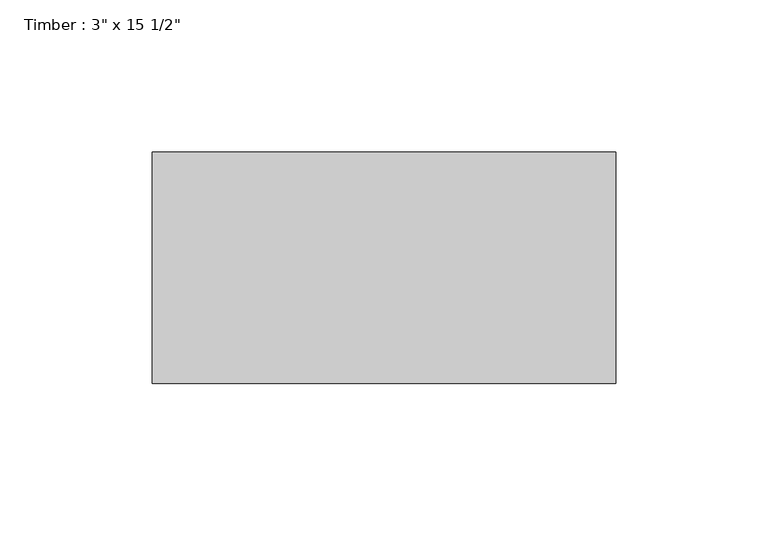
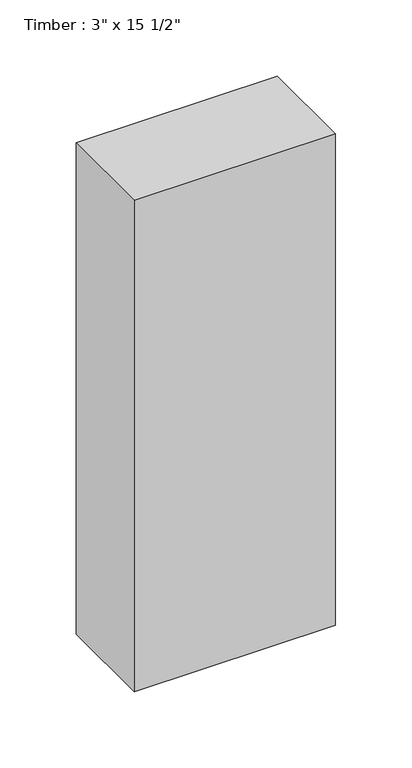
"""IFC4 building model written with IfcOpenShell, lengths in millimetres: beam geometry."""

from ifc_helpers import new_model, si_unit, frame, origin, place, context, project, spatial, polyline, outline, extrude, source, transform, mapped, element, save


def beam_1a90453d(model_context):
    return source(origin(), model_context, "Body", "SweptSolid", [
        extrude(outline(polyline([(76.2, 38.1), (76.2, -38.1), (-76.2, -38.1), (-76.2, 38.1), (76.2, 38.1)])), frame((0.0, 0.0, -196.85), z_axis=(0.0, 0.0, 1.0), x_axis=(1.0, 0.0, 0.0)), (0.0, 0.0, 1.0), 393.7),
    ])


if __name__ == "__main__":
    model = new_model("IFC4")
    model_context = context("Model", 3, world=origin())
    ifc_project = project(units=[si_unit("LENGTHUNIT", "METRE", prefix="MILLI")], contexts=[model_context])
    site = spatial("IfcSite", under=ifc_project)
    building = spatial("IfcBuilding", under=site)
    placement = place(None, origin())
    beam_shape = beam_1a90453d(model_context)
    element("IfcBeam", 1, ObjectType="Timber : 3\" x 15 1/2\"", at=placement, inside=building, context=model_context, shape_type="MappedRepresentation", body=[
        mapped(beam_shape, transform((0.0, 0.0, 0.0), x_axis=(1.0, 0.0, 0.0), y_axis=(0.0, 1.0, 0.0), z_axis=(0.0, 0.0, 1.0))),
    ])
    save(model, "model.ifc")
